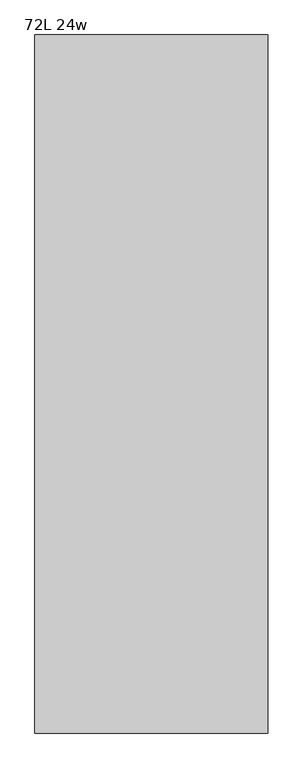
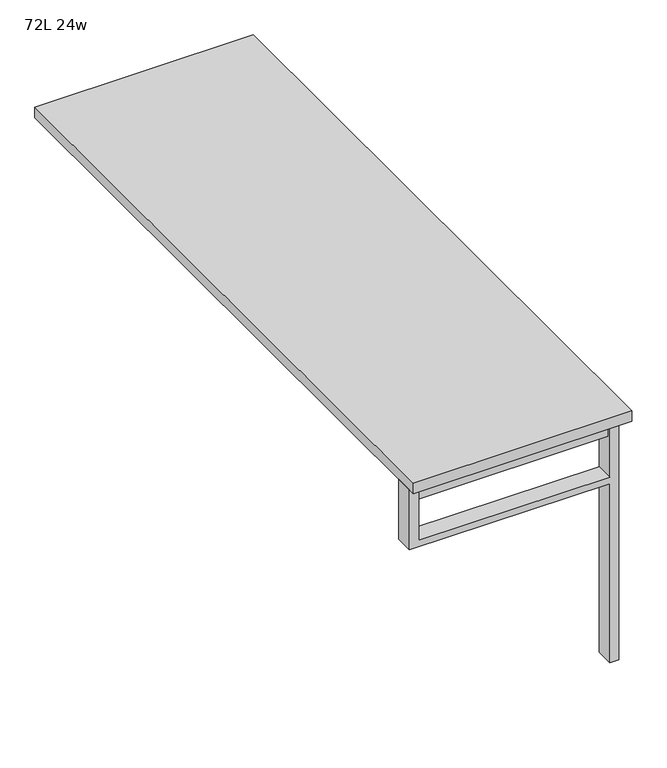
"""IFC4 building model written with IfcOpenShell, lengths in millimetres: furniture geometry, 72L 24w."""

from ifc_helpers import new_model, si_unit, frame, origin, place, context, project, spatial, polyline, outline, extrude, source, transform, mapped, element, save


def furniture_72l_24w_633b6962(model_context):
    return source(origin(), model_context, "Body", "SweptSolid", [
        extrude(outline(polyline([(-279.4, -854.075), (254.0, -854.075), (254.0, -885.825), (-279.4, -885.825), (-279.4, -854.075)])), frame((0.0, 0.0, 661.9875), z_axis=(0.0, 0.0, 1.0), x_axis=(1.0, 0.0, 0.0)), (0.0, 0.0, 1.0), 44.45),
        extrude(outline(polyline([(528.6375, 254.0), (0.0, 254.0), (0.0, 279.4), (706.4375, 279.4), (706.4375, 254.0), (547.6875, 254.0), (547.6875, -279.4), (706.4375, -279.4), (706.4375, -304.8), (528.6375, -304.8), (528.6375, 254.0)])), frame((0.0, -895.35, 0.0), z_axis=(0.0, 1.0, 0.0), x_axis=(0.0, 0.0, 1.0)), (0.0, 0.0, 1.0), 50.8),
        extrude(outline(polyline([(-304.8, -914.4), (-304.8, 914.4), (304.8, 914.4), (304.8, -914.4), (-304.8, -914.4)])), frame((0.0, 0.0, 706.4375), z_axis=(0.0, 0.0, 1.0), x_axis=(1.0, 0.0, 0.0)), (0.0, 0.0, 1.0), 30.1625),
    ])


if __name__ == "__main__":
    model = new_model("IFC4")
    model_context = context("Model", 3, world=origin())
    ifc_project = project(units=[si_unit("LENGTHUNIT", "METRE", prefix="MILLI")], contexts=[model_context])
    site = spatial("IfcSite", under=ifc_project)
    building = spatial("IfcBuilding", under=site)
    placement = place(None, origin())
    furniture_72l_24w_shape = furniture_72l_24w_633b6962(model_context)
    element("IfcFurniture", 1, ObjectType="72L 24w", at=placement, inside=building, context=model_context, shape_type="MappedRepresentation", body=[
        mapped(furniture_72l_24w_shape, transform((0.0, 0.0, 0.0), x_axis=(1.0, 0.0, 0.0), y_axis=(0.0, 1.0, 0.0), z_axis=(0.0, 0.0, 1.0))),
    ])
    save(model, "model.ifc")
